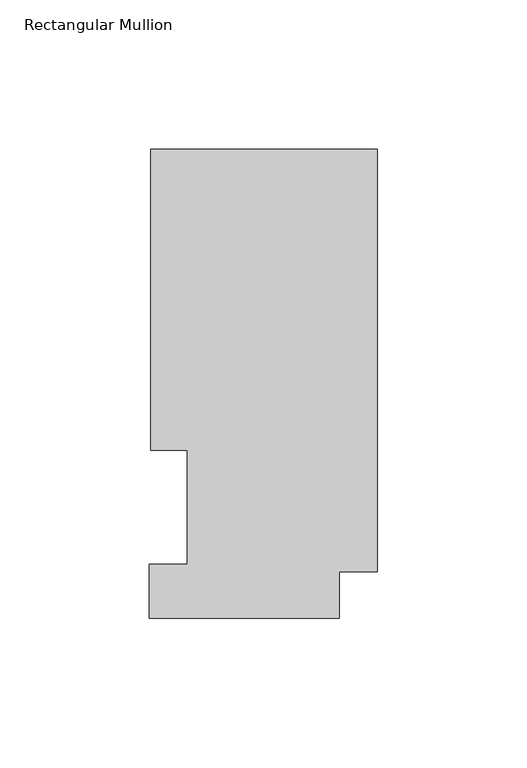
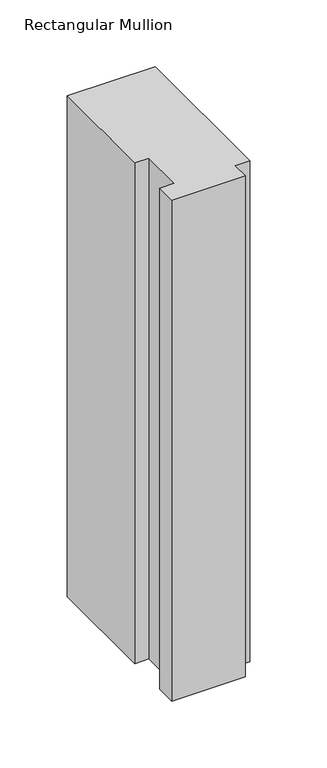
"""IFC4 building model written with IfcOpenShell, lengths in millimetres: member geometry, Rectangular Mullion."""

from ifc_helpers import new_model, si_unit, frame, origin, place, context, project, spatial, polyline, outline, extrude, source, transform, mapped, element, save


def rectangular_mullion_d8f00d07(model_context):
    return source(origin(), model_context, "Body", "SweptSolid", [
        extrude(outline(polyline([(-75.7936, 157.3395063), (0.0, 157.3395063), (0.0, 16.1663063), (-12.7, 16.1663063), (-12.7, 0.5199063), (-76.2, 0.5199063), (-76.2, 18.5539063), (-63.5, 18.5539063), (-63.5, 56.6539063), (-75.7936, 56.6539063), (-75.7936, 157.3395063)])), frame((0.0, 0.0, -457.2), z_axis=(0.0, 0.0, 1.0), x_axis=(1.0, 0.0, 0.0)), (0.0, 0.0, 1.0), 457.2),
    ])


if __name__ == "__main__":
    model = new_model("IFC4")
    model_context = context("Model", 3, world=origin())
    ifc_project = project(units=[si_unit("LENGTHUNIT", "METRE", prefix="MILLI")], contexts=[model_context])
    site = spatial("IfcSite", under=ifc_project)
    building = spatial("IfcBuilding", under=site)
    placement = place(None, origin())
    rectangular_mullion_shape = rectangular_mullion_d8f00d07(model_context)
    element("IfcMember", 1, ObjectType="Rectangular Mullion", at=placement, inside=building, context=model_context, shape_type="MappedRepresentation", body=[
        mapped(rectangular_mullion_shape, transform((0.0, 0.0, 0.0), x_axis=(1.0, 0.0, 0.0), y_axis=(0.0, 1.0, 0.0), z_axis=(0.0, 0.0, 1.0))),
    ])
    save(model, "model.ifc")
